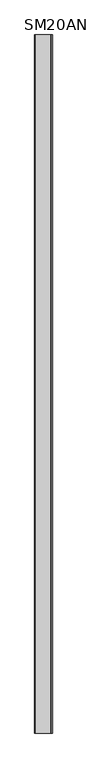
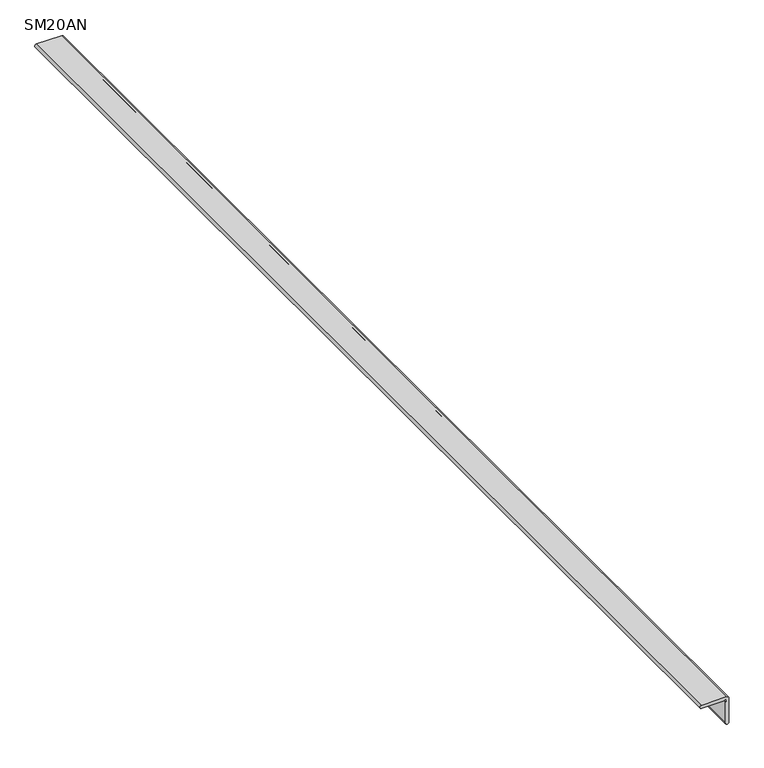
"""IFC4 building model written with IfcOpenShell, lengths in millimetres: proxy geometry, SM20AN."""

from ifc_helpers import new_model, si_unit, point, frame, frame_2d, origin, place, context, project, spatial, polyline, circle_curve, trimmed, segment, composite_curve, outline, extrude, source, transform, mapped, element, save


def sm20an_62127a48(model_context):
    return source(origin(), model_context, "Body", "SweptSolid", [
        extrude(outline(composite_curve([segment(polyline([(0.0, -61.9892718), (0.0, -3.1766942)]), True, "CONTINUOUS"), segment(trimmed(circle_curve(frame_2d((-0.0211778, 0.0211784)), 3.1979427), [point((0.0, -3.1766942))], [point((-3.2184894, 0.0847137))], True, "CARTESIAN"), True, "CONTINUOUS"), segment(polyline([(-3.2184894, 0.0847137), (-62.0104503, 0.0847137)]), True, "CONTINUOUS"), segment(trimmed(circle_curve(frame_2d((-62.0210395, 4.8075042)), 4.7228023), [point((-62.0104503, 0.0847137))], [point((-62.6522314, 9.4879377))], False, "CARTESIAN"), True, "CONTINUOUS"), segment(polyline([(-62.6522314, 9.4879377), (3.7946136, 9.4879377)]), True, "CONTINUOUS"), segment(trimmed(circle_curve(frame_2d((3.0602838, 3.1449975)), 6.3853059), [point((3.7946136, 9.4879377))], [point((9.4455809, 3.134408))], False, "CARTESIAN"), True, "CONTINUOUS"), segment(polyline([(9.4455809, 3.134408), (9.4455809, -62.0104503)]), True, "CONTINUOUS"), segment(trimmed(circle_curve(frame_2d((4.7227904, -61.999861)), 4.7228023), [point((9.4455809, -62.0104503))], [point((0.0, -61.9892718))], False, "CARTESIAN"), True, "CONTINUOUS")], self_intersect=False)), frame((0.0, -1141.4125, 0.0), z_axis=(0.0, 1.0, 0.0), x_axis=(0.0, 0.0, 1.0)), (0.0, 0.0, 1.0), 3021.0125),
    ])


if __name__ == "__main__":
    model = new_model("IFC4")
    model_context = context("Model", 3, world=origin())
    ifc_project = project(units=[si_unit("LENGTHUNIT", "METRE", prefix="MILLI")], contexts=[model_context])
    site = spatial("IfcSite", under=ifc_project)
    building = spatial("IfcBuilding", under=site)
    placement = place(None, origin())
    sm20an_shape = sm20an_62127a48(model_context)
    element("IfcBuildingElementProxy", 1, Name="SM20AN", ObjectType="SM20AN", at=placement, inside=building, context=model_context, shape_type="MappedRepresentation", body=[
        mapped(sm20an_shape, transform((0.0, 0.0, 0.0), x_axis=(1.0, 0.0, 0.0), y_axis=(0.0, 1.0, 0.0), z_axis=(0.0, 0.0, 1.0))),
    ])
    save(model, "model.ifc")
